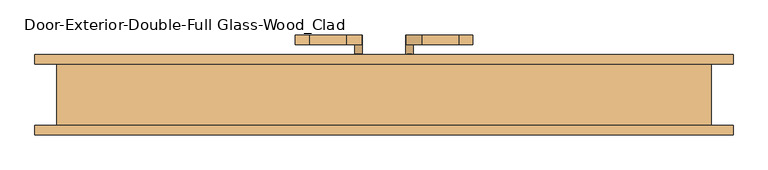
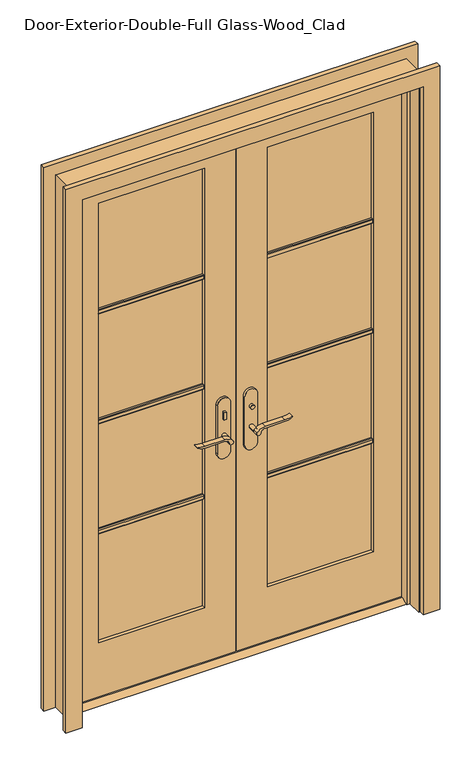
"""IFC4 building model written with IfcOpenShell, lengths in millimetres: door geometry, Door-Exterior-Double-Full Glass-Wood_Clad."""

from ifc_helpers import new_model, si_unit, point, frame, frame_2d, origin, place, context, project, spatial, polyline, circle_curve, trimmed, segment, composite_curve, outline, extrude, faceted_brep, source, transform, mapped, element, save


def door_exterior_double_full_glass_wood_clad_4fb39aaa(model_context):
    return source(origin(), model_context, "Body", "SolidModel", [
        extrude(outline(polyline([(19.05, 12.7), (53.975, 12.7), (79.375, 0.0), (-6.35, 0.0), (19.05, 12.7)])), frame((-647.7, 0.0, 0.0), z_axis=(1.0, 0.0, 0.0), x_axis=(0.0, 1.0, 0.0)), (0.0, 0.0, 1.0), 1295.4),
        extrude(outline(polyline([(-47.4019111, 5.4), (-57.4019111, 5.4), (-57.4019111, 15.4), (-47.4019111, 15.4), (-47.4019111, 5.4)])), frame((0.0, 0.0, 981.9), z_axis=(0.0, 0.0, 1.0), x_axis=(1.0, 0.0, 0.0)), (0.0, 0.0, 1.0), 30.0),
        extrude(outline(composite_curve([segment(trimmed(circle_curve(frame_2d((996.9, -52.4019111)), 8.0), [point((996.9, -60.4019111))], [point((996.9, -44.4019111))], False, "CARTESIAN"), True, "CONTINUOUS"), segment(trimmed(circle_curve(frame_2d((996.9, -52.4019111)), 8.0), [point((996.9, -44.4019111))], [point((996.9, -60.4019111))], False, "CARTESIAN"), True, "CONTINUOUS")], self_intersect=False)), frame((0.0, 70.325, 0.0), z_axis=(0.0, 1.0, 0.0), x_axis=(0.0, 0.0, 1.0)), (0.0, 0.0, 1.0), 10.0),
        extrude(outline(composite_curve([segment(trimmed(circle_curve(frame_2d((897.1555521, -76.0694241)), 37.2832219), [point((919.0523287, -45.8937749))], [point((934.4, -77.7693445))], False, "CARTESIAN"), True, "CONTINUOUS"), segment(polyline([(934.4, -77.7693445), (934.4, -154.045502)]), True, "CONTINUOUS"), segment(trimmed(circle_curve(frame_2d((1017.6850638, -153.9791202)), 83.2850902), [point((934.4, -154.045502))], [point((939.4, -182.4019111))], True, "CARTESIAN"), True, "CONTINUOUS"), segment(polyline([(939.4, -182.4019111), (936.6135558, -182.4019111)]), True, "CONTINUOUS"), segment(trimmed(circle_curve(frame_2d((986.6709207, -150.4622499)), 59.3791355), [point((936.6135558, -182.4019111))], [point((927.4, -154.045502))], False, "CARTESIAN"), True, "CONTINUOUS"), segment(polyline([(927.4, -154.045502), (927.4, -77.7881013)]), True, "CONTINUOUS"), segment(trimmed(circle_curve(frame_2d((909.2738613, -77.7881013)), 18.1261387), [point((927.4, -77.7881013))], [point((914.4, -60.4019111))], True, "CARTESIAN"), True, "CONTINUOUS"), segment(trimmed(circle_curve(frame_2d((914.4, -52.4019111)), 8.0), [point((914.4, -60.4019111))], [point((919.0523287, -45.8937749))], False, "CARTESIAN"), True, "CONTINUOUS")], self_intersect=False)), frame((0.0, -34.6, 0.0), z_axis=(0.0, 1.0, 0.0), x_axis=(0.0, 0.0, 1.0)), (0.0, 0.0, 1.0), 20.0),
        extrude(outline(composite_curve([segment(trimmed(circle_curve(frame_2d((914.4, -52.4019111)), 8.0), [point((914.3999903, -60.4019111))], [point((919.0523287, -45.8937749))], False, "CARTESIAN"), True, "CONTINUOUS"), segment(trimmed(circle_curve(frame_2d((897.1555521, -76.0694241)), 37.2832219), [point((919.0523287, -45.8937749))], [point((934.4, -77.7693445))], False, "CARTESIAN"), True, "CONTINUOUS"), segment(polyline([(934.4, -77.7693445), (934.4, -154.045502)]), True, "CONTINUOUS"), segment(trimmed(circle_curve(frame_2d((1017.6850638, -153.9791202)), 83.2850902), [point((934.4, -154.045502))], [point((939.4, -182.4019111))], True, "CARTESIAN"), True, "CONTINUOUS"), segment(polyline([(939.4, -182.4019111), (936.6135558, -182.4019111)]), True, "CONTINUOUS"), segment(trimmed(circle_curve(frame_2d((986.6709207, -150.4622499)), 59.3791355), [point((936.6135558, -182.4019111))], [point((927.4, -154.045502))], False, "CARTESIAN"), True, "CONTINUOUS"), segment(polyline([(927.4, -154.045502), (927.4, -77.788099)]), True, "CONTINUOUS"), segment(trimmed(circle_curve(frame_2d((909.2738682, -77.788099)), 18.1261318), [point((927.4, -77.788099))], [point((914.3999903, -60.4019111))], True, "CARTESIAN"), True, "CONTINUOUS")], self_intersect=False)), frame((0.0, 100.325, 0.0), z_axis=(0.0, 1.0, 0.0), x_axis=(0.0, 0.0, 1.0)), (0.0, 0.0, 1.0), 20.0),
        extrude(outline(composite_curve([segment(trimmed(circle_curve(frame_2d((914.4, -52.4019111)), 8.0), [point((914.4, -60.4019111))], [point((914.4, -44.4019111))], False, "CARTESIAN"), True, "CONTINUOUS"), segment(trimmed(circle_curve(frame_2d((914.4, -52.4019111)), 8.0), [point((914.4, -44.4019111))], [point((914.4, -60.4019111))], False, "CARTESIAN"), True, "CONTINUOUS")], self_intersect=False)), frame((0.0, -14.6, 0.0), z_axis=(0.0, 1.0, 0.0), x_axis=(0.0, 0.0, 1.0)), (0.0, 0.0, 1.0), 30.0),
        extrude(outline(composite_curve([segment(trimmed(circle_curve(frame_2d((914.4, -52.4019111)), 8.0), [point((914.4, -60.4019111))], [point((914.4, -44.4019111))], False, "CARTESIAN"), True, "CONTINUOUS"), segment(trimmed(circle_curve(frame_2d((914.4, -52.4019111)), 8.0), [point((914.4, -44.4019111))], [point((914.4, -60.4019111))], False, "CARTESIAN"), True, "CONTINUOUS")], self_intersect=False)), frame((0.0, 70.325, 0.0), z_axis=(0.0, 1.0, 0.0), x_axis=(0.0, 0.0, 1.0)), (0.0, 0.0, 1.0), 30.0),
        extrude(outline(composite_curve([segment(polyline([(844.4, -27.4019111), (1039.4, -27.4019111)]), True, "CONTINUOUS"), segment(trimmed(circle_curve(frame_2d((1039.4, -52.4019111)), 25.0), [point((1039.4, -27.4019111))], [point((1039.4, -77.4019111))], False, "CARTESIAN"), True, "CONTINUOUS"), segment(polyline([(1039.4, -77.4019111), (844.4, -77.4019111)]), True, "CONTINUOUS"), segment(trimmed(circle_curve(frame_2d((844.4, -52.4019111)), 25.0), [point((844.4, -77.4019111))], [point((844.4, -27.4019111))], False, "CARTESIAN"), True, "CONTINUOUS")], self_intersect=False)), frame((0.0, 15.4, 0.0), z_axis=(0.0, 1.0, 0.0), x_axis=(0.0, 0.0, 1.0)), (0.0, 0.0, 1.0), 10.0),
        extrude(outline(composite_curve([segment(polyline([(844.4, -27.4019111), (1039.4, -27.4019111)]), True, "CONTINUOUS"), segment(trimmed(circle_curve(frame_2d((1039.4, -52.4019111)), 25.0), [point((1039.4, -27.4019111))], [point((1039.4, -77.4019111))], False, "CARTESIAN"), True, "CONTINUOUS"), segment(polyline([(1039.4, -77.4019111), (844.4, -77.4019111)]), True, "CONTINUOUS"), segment(trimmed(circle_curve(frame_2d((844.4, -52.4019111)), 25.0), [point((844.4, -77.4019111))], [point((844.4, -27.4019111))], False, "CARTESIAN"), True, "CONTINUOUS")], self_intersect=False)), frame((0.0, 60.325, 0.0), z_axis=(0.0, 1.0, 0.0), x_axis=(0.0, 0.0, 1.0)), (0.0, 0.0, 1.0), 10.0),
        extrude(outline(polyline([(47.3875, 80.325), (57.3875, 80.325), (57.3875, 70.325), (47.3875, 70.325), (47.3875, 80.325)])), frame((0.0, 0.0, 981.9), z_axis=(0.0, 0.0, 1.0), x_axis=(1.0, 0.0, 0.0)), (0.0, 0.0, 1.0), 30.0),
        extrude(outline(composite_curve([segment(trimmed(circle_curve(frame_2d((996.9, 52.3875)), 8.0), [point((996.9, 60.3875))], [point((996.9, 44.3875))], False, "CARTESIAN"), True, "CONTINUOUS"), segment(trimmed(circle_curve(frame_2d((996.9, 52.3875)), 8.0), [point((996.9, 44.3875))], [point((996.9, 60.3875))], False, "CARTESIAN"), True, "CONTINUOUS")], self_intersect=False)), frame((0.0, 5.4, 0.0), z_axis=(0.0, 1.0, 0.0), x_axis=(0.0, 0.0, 1.0)), (0.0, 0.0, 1.0), 10.0),
        extrude(outline(composite_curve([segment(trimmed(circle_curve(frame_2d((914.4, 52.3875)), 8.0), [point((919.0523287, 45.8793637))], [point((914.4, 60.3875))], False, "CARTESIAN"), True, "CONTINUOUS"), segment(trimmed(circle_curve(frame_2d((909.2738613, 77.7736901)), 18.1261387), [point((914.4, 60.3875))], [point((927.4, 77.7736901))], True, "CARTESIAN"), True, "CONTINUOUS"), segment(polyline([(927.4, 77.7736901), (927.4, 154.0310909)]), True, "CONTINUOUS"), segment(trimmed(circle_curve(frame_2d((986.6709207, 150.4478388)), 59.3791355), [point((927.4, 154.0310909))], [point((936.6135558, 182.3875))], False, "CARTESIAN"), True, "CONTINUOUS"), segment(polyline([(936.6135558, 182.3875), (939.4, 182.3875)]), True, "CONTINUOUS"), segment(trimmed(circle_curve(frame_2d((1017.6850638, 153.9647091)), 83.2850902), [point((939.4, 182.3875))], [point((934.4, 154.0310909))], True, "CARTESIAN"), True, "CONTINUOUS"), segment(polyline([(934.4, 154.0310909), (934.4, 77.7549333)]), True, "CONTINUOUS"), segment(trimmed(circle_curve(frame_2d((897.1555521, 76.0550129)), 37.2832219), [point((934.4, 77.7549333))], [point((919.0523287, 45.8793637))], False, "CARTESIAN"), True, "CONTINUOUS")], self_intersect=False)), frame((0.0, 100.325, 0.0), z_axis=(0.0, 1.0, 0.0), x_axis=(0.0, 0.0, 1.0)), (0.0, 0.0, 1.0), 20.0),
        extrude(outline(composite_curve([segment(trimmed(circle_curve(frame_2d((909.2738682, 77.7736878)), 18.1261318), [point((914.3999903, 60.3875))], [point((927.4, 77.7736878))], True, "CARTESIAN"), True, "CONTINUOUS"), segment(polyline([(927.4, 77.7736878), (927.4, 154.0310909)]), True, "CONTINUOUS"), segment(trimmed(circle_curve(frame_2d((986.6709207, 150.4478388)), 59.3791355), [point((927.4, 154.0310909))], [point((936.6135558, 182.3875))], False, "CARTESIAN"), True, "CONTINUOUS"), segment(polyline([(936.6135558, 182.3875), (939.4, 182.3875)]), True, "CONTINUOUS"), segment(trimmed(circle_curve(frame_2d((1017.6850638, 153.9647091)), 83.2850902), [point((939.4, 182.3875))], [point((934.4, 154.0310909))], True, "CARTESIAN"), True, "CONTINUOUS"), segment(polyline([(934.4, 154.0310909), (934.4, 77.7549333)]), True, "CONTINUOUS"), segment(trimmed(circle_curve(frame_2d((897.1555521, 76.0550129)), 37.2832219), [point((934.4, 77.7549333))], [point((919.0523287, 45.8793637))], False, "CARTESIAN"), True, "CONTINUOUS"), segment(trimmed(circle_curve(frame_2d((914.4, 52.3875)), 8.0), [point((919.0523287, 45.8793637))], [point((914.3999903, 60.3875))], False, "CARTESIAN"), True, "CONTINUOUS")], self_intersect=False)), frame((0.0, -34.6, 0.0), z_axis=(0.0, 1.0, 0.0), x_axis=(0.0, 0.0, 1.0)), (0.0, 0.0, 1.0), 20.0),
        extrude(outline(composite_curve([segment(trimmed(circle_curve(frame_2d((914.4, 52.3875)), 8.0), [point((914.4, 60.3875))], [point((914.4, 44.3875))], False, "CARTESIAN"), True, "CONTINUOUS"), segment(trimmed(circle_curve(frame_2d((914.4, 52.3875)), 8.0), [point((914.4, 44.3875))], [point((914.4, 60.3875))], False, "CARTESIAN"), True, "CONTINUOUS")], self_intersect=False)), frame((0.0, 70.325, 0.0), z_axis=(0.0, 1.0, 0.0), x_axis=(0.0, 0.0, 1.0)), (0.0, 0.0, 1.0), 30.0),
        extrude(outline(composite_curve([segment(trimmed(circle_curve(frame_2d((914.4, 52.3875)), 8.0), [point((914.4, 60.3875))], [point((914.4, 44.3875))], False, "CARTESIAN"), True, "CONTINUOUS"), segment(trimmed(circle_curve(frame_2d((914.4, 52.3875)), 8.0), [point((914.4, 44.3875))], [point((914.4, 60.3875))], False, "CARTESIAN"), True, "CONTINUOUS")], self_intersect=False)), frame((0.0, -14.6, 0.0), z_axis=(0.0, 1.0, 0.0), x_axis=(0.0, 0.0, 1.0)), (0.0, 0.0, 1.0), 30.0),
        extrude(outline(composite_curve([segment(trimmed(circle_curve(frame_2d((844.4, 52.3875)), 25.0), [point((844.4, 27.3875))], [point((844.4, 77.3875))], False, "CARTESIAN"), True, "CONTINUOUS"), segment(polyline([(844.4, 77.3875), (1039.4, 77.3875)]), True, "CONTINUOUS"), segment(trimmed(circle_curve(frame_2d((1039.4, 52.3875)), 25.0), [point((1039.4, 77.3875))], [point((1039.4, 27.3875))], False, "CARTESIAN"), True, "CONTINUOUS"), segment(polyline([(1039.4, 27.3875), (844.4, 27.3875)]), True, "CONTINUOUS")], self_intersect=False)), frame((0.0, 60.325, 0.0), z_axis=(0.0, 1.0, 0.0), x_axis=(0.0, 0.0, 1.0)), (0.0, 0.0, 1.0), 10.0),
        extrude(outline(composite_curve([segment(trimmed(circle_curve(frame_2d((844.4, 52.3875)), 25.0), [point((844.4, 27.3875))], [point((844.4, 77.3875))], False, "CARTESIAN"), True, "CONTINUOUS"), segment(polyline([(844.4, 77.3875), (1039.4, 77.3875)]), True, "CONTINUOUS"), segment(trimmed(circle_curve(frame_2d((1039.4, 52.3875)), 25.0), [point((1039.4, 77.3875))], [point((1039.4, 27.3875))], False, "CARTESIAN"), True, "CONTINUOUS"), segment(polyline([(1039.4, 27.3875), (844.4, 27.3875)]), True, "CONTINUOUS")], self_intersect=False)), frame((0.0, 15.4, 0.0), z_axis=(0.0, 1.0, 0.0), x_axis=(0.0, 0.0, 1.0)), (0.0, 0.0, 1.0), 10.0),
        extrude(outline(polyline([(39.37, 1578.371875), (39.37, 1559.321875), (33.02, 1559.321875), (29.845, 1562.496875), (29.845, 1575.196875), (33.02, 1578.371875), (39.37, 1578.371875)])), frame((120.65, 0.0, 0.0), z_axis=(1.0, 0.0, 0.0), x_axis=(0.0, 1.0, 0.0)), (0.0, 0.0, 1.0), 406.4),
        extrude(outline(polyline([(39.37, 1132.68125), (39.37, 1113.63125), (33.02, 1113.63125), (29.845, 1116.80625), (29.845, 1129.50625), (33.02, 1132.68125), (39.37, 1132.68125)])), frame((120.65, 0.0, 0.0), z_axis=(1.0, 0.0, 0.0), x_axis=(0.0, 1.0, 0.0)), (0.0, 0.0, 1.0), 406.4),
        extrude(outline(polyline([(39.37, 686.990625), (39.37, 667.940625), (33.02, 667.940625), (29.845, 671.115625), (29.845, 683.815625), (33.02, 686.990625), (39.37, 686.990625)])), frame((120.65, 0.0, 0.0), z_axis=(1.0, 0.0, 0.0), x_axis=(0.0, 1.0, 0.0)), (0.0, 0.0, 1.0), 406.4),
        extrude(outline(polyline([(46.355, 1578.371875), (52.705, 1578.371875), (55.88, 1575.196875), (55.88, 1562.496875), (52.705, 1559.321875), (46.355, 1559.321875), (46.355, 1578.371875)])), frame((-527.05, 0.0, 0.0), z_axis=(1.0, 0.0, 0.0), x_axis=(0.0, 1.0, 0.0)), (0.0, 0.0, 1.0), 406.4),
        extrude(outline(polyline([(46.355, 1132.68125), (52.705, 1132.68125), (55.88, 1129.50625), (55.88, 1116.80625), (52.705, 1113.63125), (46.355, 1113.63125), (46.355, 1132.68125)])), frame((-527.05, 0.0, 0.0), z_axis=(1.0, 0.0, 0.0), x_axis=(0.0, 1.0, 0.0)), (0.0, 0.0, 1.0), 406.4),
        extrude(outline(polyline([(46.355, 686.990625), (52.705, 686.990625), (55.88, 683.815625), (55.88, 671.115625), (52.705, 667.940625), (46.355, 667.940625), (46.355, 686.990625)])), frame((-527.05, 0.0, 0.0), z_axis=(1.0, 0.0, 0.0), x_axis=(0.0, 1.0, 0.0)), (0.0, 0.0, 1.0), 406.4),
        extrude(outline(polyline([(46.355, 1578.371875), (52.705, 1578.371875), (55.88, 1575.196875), (55.88, 1562.496875), (52.705, 1559.321875), (46.355, 1559.321875), (46.355, 1578.371875)])), frame((120.65, 0.0, 0.0), z_axis=(1.0, 0.0, 0.0), x_axis=(0.0, 1.0, 0.0)), (0.0, 0.0, 1.0), 406.4),
        extrude(outline(polyline([(46.355, 1132.68125), (52.705, 1132.68125), (55.88, 1129.50625), (55.88, 1116.80625), (52.705, 1113.63125), (46.355, 1113.63125), (46.355, 1132.68125)])), frame((120.65, 0.0, 0.0), z_axis=(1.0, 0.0, 0.0), x_axis=(0.0, 1.0, 0.0)), (0.0, 0.0, 1.0), 406.4),
        extrude(outline(polyline([(46.355, 686.990625), (52.705, 686.990625), (55.88, 683.815625), (55.88, 671.115625), (52.705, 667.940625), (46.355, 667.940625), (46.355, 686.990625)])), frame((120.65, 0.0, 0.0), z_axis=(1.0, 0.0, 0.0), x_axis=(0.0, 1.0, 0.0)), (0.0, 0.0, 1.0), 406.4),
        extrude(outline(polyline([(39.37, 1578.371875), (39.37, 1559.321875), (33.02, 1559.321875), (29.845, 1562.496875), (29.845, 1575.196875), (33.02, 1578.371875), (39.37, 1578.371875)])), frame((-527.05, 0.0, 0.0), z_axis=(1.0, 0.0, 0.0), x_axis=(0.0, 1.0, 0.0)), (0.0, 0.0, 1.0), 406.4),
        extrude(outline(polyline([(39.37, 1132.68125), (39.37, 1113.63125), (33.02, 1113.63125), (29.845, 1116.80625), (29.845, 1129.50625), (33.02, 1132.68125), (39.37, 1132.68125)])), frame((-527.05, 0.0, 0.0), z_axis=(1.0, 0.0, 0.0), x_axis=(0.0, 1.0, 0.0)), (0.0, 0.0, 1.0), 406.4),
        extrude(outline(polyline([(39.37, 686.990625), (39.37, 667.940625), (33.02, 667.940625), (29.845, 671.115625), (29.845, 683.815625), (33.02, 686.990625), (39.37, 686.990625)])), frame((-527.05, 0.0, 0.0), z_axis=(1.0, 0.0, 0.0), x_axis=(0.0, 1.0, 0.0)), (0.0, 0.0, 1.0), 406.4),
        extrude(outline(polyline([(0.0, 654.05), (0.0, 717.55), (2203.45, 717.55), (2203.45, -717.55), (0.0, -717.55), (0.0, -654.05), (2139.95, -654.05), (2139.95, 654.05), (0.0, 654.05)])), frame((0.0, -85.725, 0.0), z_axis=(0.0, 1.0, 0.0), x_axis=(0.0, 0.0, 1.0)), (0.0, 0.0, 1.0), 19.05),
        extrude(outline(polyline([(0.0, 654.05), (0.0, 717.55), (2203.45, 717.55), (2203.45, -717.55), (0.0, -717.55), (0.0, -654.05), (2139.95, -654.05), (2139.95, 654.05), (0.0, 654.05)])), frame((0.0, 60.325, 0.0), z_axis=(0.0, 1.0, 0.0), x_axis=(0.0, 0.0, 1.0)), (0.0, 0.0, 1.0), 19.05),
        faceted_brep([(673.1, 60.325, 0.0), (673.1, -66.675, 0.0), (647.7, -66.675, 0.0), (647.7, -9.525, 0.0), (635.0, -9.525, 0.0), (635.0, 25.4, 0.0), (647.7, 25.4, 0.0), (647.7, 60.325, 0.0), (673.1, 60.325, 2159.0), (673.1, -66.675, 2159.0), (-673.1, -66.675, 2159.0), (-673.1, -66.675, 0.0), (-647.7, -66.675, 0.0), (-647.7, -66.675, 2133.6), (647.7, -66.675, 2133.6), (647.7, -9.525, 2133.6), (-647.7, -9.525, 2133.6), (-647.7, -9.525, 0.0), (-635.0, -9.525, 0.0), (-635.0, -9.525, 2120.9), (635.0, -9.525, 2120.9), (635.0, 25.4, 2120.9), (1.5875, 25.4, 2120.9), (-1.6019111, 25.4, 2120.9), (-635.0, 25.4, 2120.9), (-635.0, 25.4, 0.0), (-647.7, 25.4, 0.0), (-647.7, 25.4, 2133.6), (-1.6019111, 25.4, 2133.6), (1.5875, 25.4, 2133.6), (647.7, 25.4, 2133.6), (647.7, 60.325, 2133.6), (1.5875, 60.325, 2133.6), (-1.6019111, 60.325, 2133.6), (-647.7, 60.325, 2133.6), (-647.7, 60.325, 0.0), (-673.1, 60.325, 0.0), (-673.1, 60.325, 2159.0)], [[[0, 1, 2, 3, 4, 5, 6, 7]], [[1, 0, 8, 9]], [[2, 1, 9, 10, 11, 12, 13, 14]], [[3, 2, 14, 15]], [[4, 3, 15, 16, 17, 18, 19, 20]], [[5, 4, 20, 21]], [[6, 5, 21, 22, 23, 24, 25, 26, 27, 28, 29, 30]], [[7, 6, 30, 31]], [[0, 7, 31, 32, 33, 34, 35, 36, 37, 8]], [[9, 8, 37, 10]], [[14, 13, 16, 15]], [[20, 19, 24, 23, 22, 21]], [[31, 30, 29, 28, 27, 34, 33, 32]], [[12, 11, 36, 35, 26, 25, 18, 17]], [[11, 10, 37, 36]], [[13, 12, 17, 16]], [[19, 18, 25, 24]], [[27, 26, 35, 34]]]),
        extrude(outline(polyline([(12.7, 647.7), (2133.6, 647.7), (2133.6, 1.5875), (12.7, 1.5875), (12.7, 647.7)]), holes=[polyline([(2014.5375, 120.65), (2014.5375, 527.05), (231.775, 527.05), (231.775, 120.65), (2014.5375, 120.65)])]), frame((0.0, 25.4, 0.0), z_axis=(0.0, 1.0, 0.0), x_axis=(0.0, 0.0, 1.0)), (0.0, 0.0, 1.0), 34.925),
        extrude(outline(polyline([(2133.6, -647.7), (12.7, -647.7), (12.7, -1.6019111), (2133.6, -1.6019111), (2133.6, -647.7)]), holes=[polyline([(231.775, -527.05), (2014.5375, -527.05), (2014.5375, -120.65), (231.775, -120.65), (231.775, -527.05)])]), frame((0.0, 25.4, 0.0), z_axis=(0.0, 1.0, 0.0), x_axis=(0.0, 0.0, 1.0)), (0.0, 0.0, 1.0), 34.925),
        extrude(outline(polyline([(527.05, 39.37), (120.65, 39.37), (120.65, 46.355), (527.05, 46.355), (527.05, 39.37)])), frame((0.0, 0.0, 231.775), z_axis=(0.0, 0.0, 1.0), x_axis=(1.0, 0.0, 0.0)), (0.0, 0.0, 1.0), 1782.7625),
        extrude(outline(polyline([(-120.65, 39.37), (-527.05, 39.37), (-527.05, 46.355), (-120.65, 46.355), (-120.65, 39.37)])), frame((0.0, 0.0, 231.775), z_axis=(0.0, 0.0, 1.0), x_axis=(1.0, 0.0, 0.0)), (0.0, 0.0, 1.0), 1782.7625),
        extrude(outline(polyline([(387.8633866, 70.325), (404.8829603, 70.325), (404.8829603, 52.705), (387.8633866, 52.705), (387.8633866, 70.325)])), frame((0.0, 0.0, 231.775), z_axis=(0.0, 0.0, 1.0), x_axis=(1.0, 0.0, 0.0)), (0.0, 0.0, 1.0), 1782.7625),
        extrude(outline(polyline([(229.1133866, 70.325), (246.1329603, 70.325), (246.1329603, 52.705), (229.1133866, 52.705), (229.1133866, 70.325)])), frame((0.0, 0.0, 231.775), z_axis=(0.0, 0.0, 1.0), x_axis=(1.0, 0.0, 0.0)), (0.0, 0.0, 1.0), 1782.7625),
        extrude(outline(polyline([(-278.8866134, 70.325), (-261.8670397, 70.325), (-261.8670397, 52.705), (-278.8866134, 52.705), (-278.8866134, 70.325)])), frame((0.0, 0.0, 231.775), z_axis=(0.0, 0.0, 1.0), x_axis=(1.0, 0.0, 0.0)), (0.0, 0.0, 1.0), 1782.7625),
        extrude(outline(polyline([(-418.5866134, 70.325), (-401.5670397, 70.325), (-401.5670397, 52.705), (-418.5866134, 52.705), (-418.5866134, 70.325)])), frame((0.0, 0.0, 231.775), z_axis=(0.0, 0.0, 1.0), x_axis=(1.0, 0.0, 0.0)), (0.0, 0.0, 1.0), 1782.7625),
    ])


if __name__ == "__main__":
    model = new_model("IFC4")
    model_context = context("Model", 3, world=origin())
    ifc_project = project(units=[si_unit("LENGTHUNIT", "METRE", prefix="MILLI")], contexts=[model_context])
    site = spatial("IfcSite", under=ifc_project)
    building = spatial("IfcBuilding", under=site)
    placement = place(None, origin())
    door_exterior_double_full_glass_wood_clad_shape = door_exterior_double_full_glass_wood_clad_4fb39aaa(model_context)
    element("IfcDoor", 1, ObjectType="Door-Exterior-Double-Full Glass-Wood_Clad", at=placement, inside=building, context=model_context, shape_type="MappedRepresentation", body=[
        mapped(door_exterior_double_full_glass_wood_clad_shape, transform((0.0, 0.0, 0.0), x_axis=(1.0, 0.0, 0.0), y_axis=(0.0, 1.0, 0.0), z_axis=(0.0, 0.0, 1.0))),
    ])
    save(model, "model.ifc")
